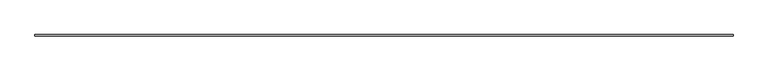
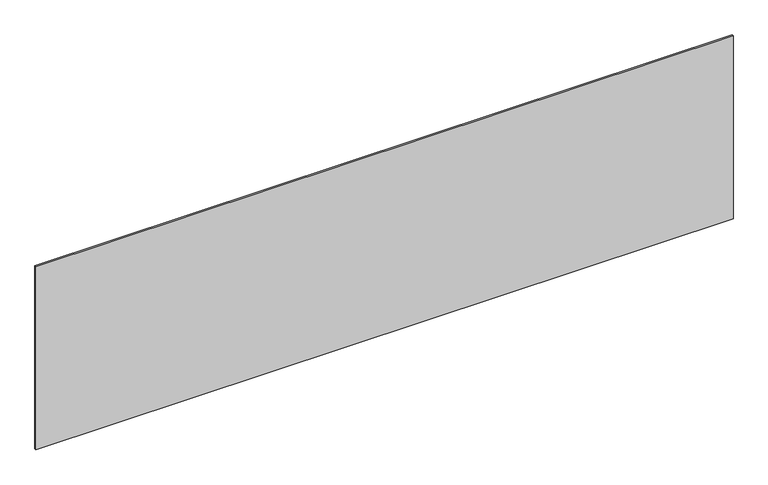
"""IFC4 building model written with IfcOpenShell, lengths in millimetres: plate geometry."""

from ifc_helpers import new_model, si_unit, origin, origin_with_axes, place, context, project, spatial, polyline, outline, extrude, source, transform, mapped, element, save


def plate_65269aec(model_context):
    return source(origin(), model_context, "Body", "SweptSolid", [
        extrude(outline(polyline([(2281.6666667, -5.0), (-2281.6666667, -5.0), (-2281.6666667, 5.0), (2281.6666667, 5.0), (2281.6666667, -5.0)])), origin_with_axes(), (0.0, 0.0, 1.0), 1266.9562992),
    ])


if __name__ == "__main__":
    model = new_model("IFC4")
    model_context = context("Model", 3, world=origin())
    ifc_project = project(units=[si_unit("LENGTHUNIT", "METRE", prefix="MILLI")], contexts=[model_context])
    site = spatial("IfcSite", under=ifc_project)
    building = spatial("IfcBuilding", under=site)
    placement = place(None, origin())
    plate_shape = plate_65269aec(model_context)
    element("IfcPlate", 1, at=placement, inside=building, context=model_context, shape_type="MappedRepresentation", body=[
        mapped(plate_shape, transform((0.0, 0.0, 0.0), x_axis=(1.0, 0.0, 0.0), y_axis=(0.0, 1.0, 0.0), z_axis=(0.0, 0.0, 1.0))),
    ])
    save(model, "model.ifc")
